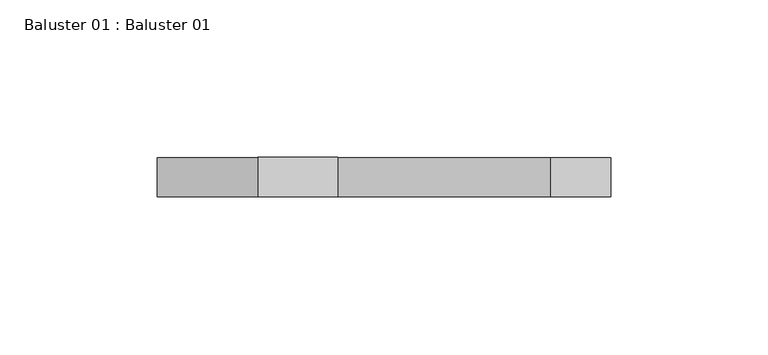
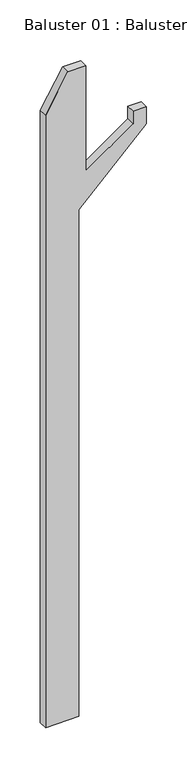
"""IFC4 building model written with IfcOpenShell, lengths in millimetres: proxy geometry, Baluster 01 : Baluster 01."""

from ifc_helpers import new_model, si_unit, frame, origin, place, context, project, spatial, polyline, outline, extrude, source, transform, mapped, element, save


def baluster_01_baluster_01_85ce4cb4(model_context):
    return source(origin(), model_context, "Body", "SweptSolid", [
        extrude(outline(polyline([(-10428.9773323, -65.1050047), (-11351.815625, -65.1050047), (-11351.815625, -17.4800047), (-10587.9319856, -17.4800047), (-10491.7359844, 78.7159966), (-10466.3359844, 78.7159966), (-10466.3359844, 59.6659966), (-10485.3859844, 59.6659966), (-10532.7347192, -7.9550047), (-10373.9847192, -7.9550047), (-10373.9847192, -33.3550047), (-10428.9773323, -65.1050047)])), frame((0.0, 3.2947472, 0.0), z_axis=(0.0, 1.0, 0.0), x_axis=(0.0, 0.0, 1.0)), (0.0, 0.0, 1.0), 12.4564218),
    ])


if __name__ == "__main__":
    model = new_model("IFC4")
    model_context = context("Model", 3, world=origin())
    ifc_project = project(units=[si_unit("LENGTHUNIT", "METRE", prefix="MILLI")], contexts=[model_context])
    site = spatial("IfcSite", under=ifc_project)
    building = spatial("IfcBuilding", under=site)
    placement = place(None, origin())
    baluster_01_baluster_01_shape = baluster_01_baluster_01_85ce4cb4(model_context)
    element("IfcBuildingElementProxy", 1, Name="Baluster 01 : Baluster 01", ObjectType="Baluster 01 : Baluster 01", at=placement, inside=building, context=model_context, shape_type="MappedRepresentation", body=[
        mapped(baluster_01_baluster_01_shape, transform((0.0, 0.0, 0.0), x_axis=(1.0, 0.0, 0.0), y_axis=(0.0, 1.0, 0.0), z_axis=(0.0, 0.0, 1.0))),
    ])
    save(model, "model.ifc")
